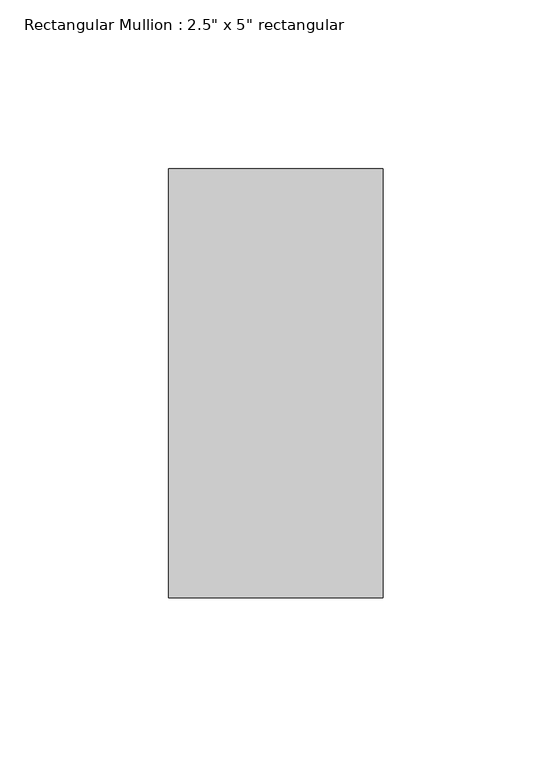
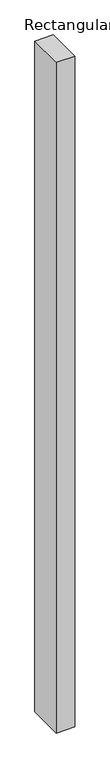
"""IFC4 building model written with IfcOpenShell, lengths in millimetres: member geometry."""

from ifc_helpers import new_model, si_unit, frame, origin, place, context, project, spatial, polyline, outline, extrude, source, transform, mapped, element, save


def member_c6483957(model_context):
    return source(origin(), model_context, "Body", "SweptSolid", [
        extrude(outline(polyline([(0.0, 63.5), (0.0, -63.5), (-63.5, -63.5), (-63.5, 63.5), (0.0, 63.5)])), frame((0.0, 0.0, -2445.4655284), z_axis=(0.0, 0.0, 1.0), x_axis=(1.0, 0.0, 0.0)), (0.0, 0.0, 1.0), 2445.4655284),
    ])


if __name__ == "__main__":
    model = new_model("IFC4")
    model_context = context("Model", 3, world=origin())
    ifc_project = project(units=[si_unit("LENGTHUNIT", "METRE", prefix="MILLI")], contexts=[model_context])
    site = spatial("IfcSite", under=ifc_project)
    building = spatial("IfcBuilding", under=site)
    placement = place(None, origin())
    member_shape = member_c6483957(model_context)
    element("IfcMember", 1, ObjectType="Rectangular Mullion : 2.5\" x 5\" rectangular", at=placement, inside=building, context=model_context, shape_type="MappedRepresentation", body=[
        mapped(member_shape, transform((0.0, 0.0, 0.0), x_axis=(1.0, 0.0, 0.0), y_axis=(0.0, 1.0, 0.0), z_axis=(0.0, 0.0, 1.0))),
    ])
    save(model, "model.ifc")
